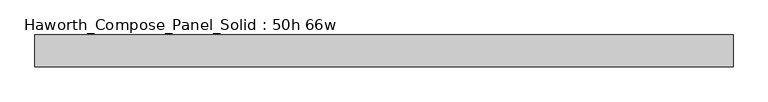
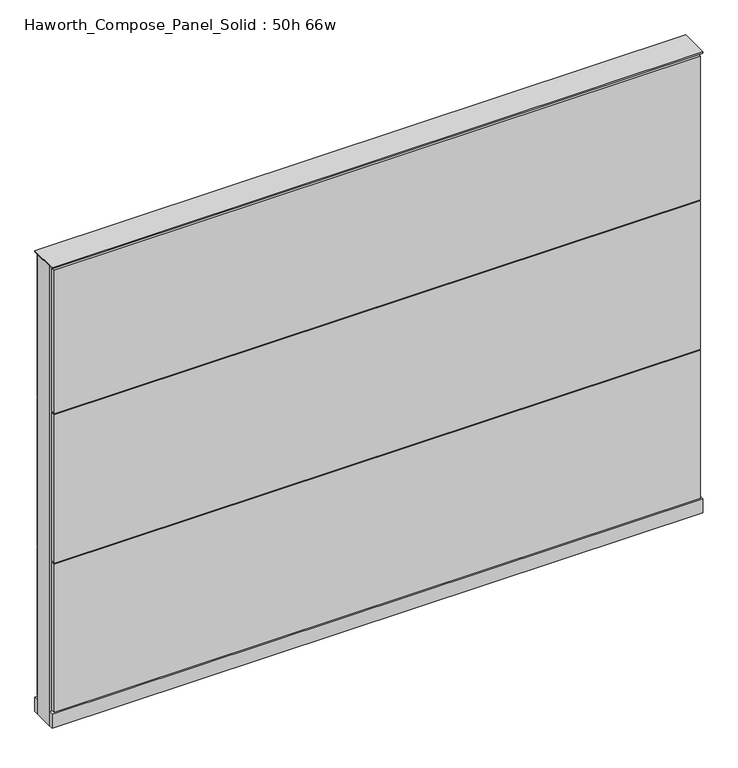
"""IFC4 building model written with IfcOpenShell, lengths in millimetres: furniture geometry, Haworth_Compose_Panel_Solid : 50h 66w."""

from ifc_helpers import new_model, si_unit, point, frame, frame_2d, origin, origin_with_axes, place, context, project, spatial, polyline, circle_curve, trimmed, segment, composite_curve, outline, extrude, source, transform, mapped, element, save


def haworth_compose_panel_solid_50h_66w_d39a5122(model_context):
    return source(origin(), model_context, "Body", "SweptSolid", [
        extrude(outline(composite_curve([segment(trimmed(circle_curve(frame_2d((-759.5597098, 0.0)), 12.7), [point((-772.2597098, 0.0))], [point((-746.8597098, 0.0))], False, "CARTESIAN"), True, "CONTINUOUS"), segment(trimmed(circle_curve(frame_2d((-759.5597098, 0.0)), 12.7), [point((-746.8597098, 0.0))], [point((-772.2597098, 0.0))], False, "CARTESIAN"), True, "CONTINUOUS")], self_intersect=False)), origin_with_axes(), (0.0, 0.0, 1.0), 12.7),
        extrude(outline(composite_curve([segment(trimmed(circle_curve(frame_2d((764.4402902, 0.0)), 12.7), [point((751.7402902, 0.0))], [point((777.1402902, 0.0))], False, "CARTESIAN"), True, "CONTINUOUS"), segment(trimmed(circle_curve(frame_2d((764.4402902, 0.0)), 12.7), [point((777.1402902, 0.0))], [point((751.7402902, 0.0))], False, "CARTESIAN"), True, "CONTINUOUS")], self_intersect=False)), origin_with_axes(), (0.0, 0.0, 1.0), 12.7),
        extrude(outline(polyline([(834.2902902, 38.1), (834.2902902, 25.4), (-829.4097098, 25.4), (-829.4097098, 38.1), (834.2902902, 38.1)])), frame((0.0, 0.0, 866.775), z_axis=(0.0, 0.0, 1.0), x_axis=(1.0, 0.0, 0.0)), (0.0, 0.0, 1.0), 390.525),
        extrude(outline(polyline([(834.2902902, 38.1), (834.2902902, 25.4), (-829.4097098, 25.4), (-829.4097098, 38.1), (834.2902902, 38.1)])), frame((0.0, 0.0, 460.375), z_axis=(0.0, 0.0, 1.0), x_axis=(1.0, 0.0, 0.0)), (0.0, 0.0, 1.0), 403.225),
        extrude(outline(polyline([(834.2902902, 38.1), (834.2902902, 25.4), (-829.4097098, 25.4), (-829.4097098, 38.1), (834.2902902, 38.1)])), frame((0.0, 0.0, 53.975), z_axis=(0.0, 0.0, 1.0), x_axis=(1.0, 0.0, 0.0)), (0.0, 0.0, 1.0), 403.225),
        extrude(outline(polyline([(834.2902902, -38.1), (-829.4097098, -38.1), (-829.4097098, -25.4), (834.2902902, -25.4), (834.2902902, -38.1)])), frame((0.0, 0.0, 866.775), z_axis=(0.0, 0.0, 1.0), x_axis=(1.0, 0.0, 0.0)), (0.0, 0.0, 1.0), 390.525),
        extrude(outline(polyline([(834.2902902, -38.1), (-829.4097098, -38.1), (-829.4097098, -25.4), (834.2902902, -25.4), (834.2902902, -38.1)])), frame((0.0, 0.0, 460.375), z_axis=(0.0, 0.0, 1.0), x_axis=(1.0, 0.0, 0.0)), (0.0, 0.0, 1.0), 403.225),
        extrude(outline(polyline([(834.2902902, -38.1), (-829.4097098, -38.1), (-829.4097098, -25.4), (834.2902902, -25.4), (834.2902902, -38.1)])), frame((0.0, 0.0, 53.975), z_axis=(0.0, 0.0, 1.0), x_axis=(1.0, 0.0, 0.0)), (0.0, 0.0, 1.0), 403.225),
        extrude(outline(polyline([(840.6402902, 25.4), (840.6402902, -25.4), (-835.7597098, -25.4), (-835.7597098, 25.4), (840.6402902, 25.4)])), frame((0.0, 0.0, 12.7), z_axis=(0.0, 0.0, 1.0), x_axis=(1.0, 0.0, 0.0)), (0.0, 0.0, 1.0), 1250.95),
        extrude(outline(polyline([(-835.7597098, -38.1), (-835.7597098, 38.1), (840.6402902, 38.1), (840.6402902, -38.1), (-835.7597098, -38.1)])), frame((0.0, 0.0, 12.7), z_axis=(0.0, 0.0, 1.0), x_axis=(1.0, 0.0, 0.0)), (0.0, 0.0, 1.0), 38.1),
        extrude(outline(polyline([(-835.7597098, -38.1), (-835.7597098, 38.1), (840.6402902, 38.1), (840.6402902, -38.1), (-835.7597098, -38.1)])), frame((0.0, 0.0, 1263.65), z_axis=(0.0, 0.0, 1.0), x_axis=(1.0, 0.0, 0.0)), (0.0, 0.0, 1.0), 3.175),
    ])


if __name__ == "__main__":
    model = new_model("IFC4")
    model_context = context("Model", 3, world=origin())
    ifc_project = project(units=[si_unit("LENGTHUNIT", "METRE", prefix="MILLI")], contexts=[model_context])
    site = spatial("IfcSite", under=ifc_project)
    building = spatial("IfcBuilding", under=site)
    placement = place(None, origin())
    haworth_compose_panel_solid_50h_66w_shape = haworth_compose_panel_solid_50h_66w_d39a5122(model_context)
    element("IfcFurniture", 1, ObjectType="Haworth_Compose_Panel_Solid : 50h 66w", at=placement, inside=building, context=model_context, shape_type="MappedRepresentation", body=[
        mapped(haworth_compose_panel_solid_50h_66w_shape, transform((0.0, 0.0, 0.0), x_axis=(1.0, 0.0, 0.0), y_axis=(0.0, 1.0, 0.0), z_axis=(0.0, 0.0, 1.0))),
    ])
    save(model, "model.ifc")
